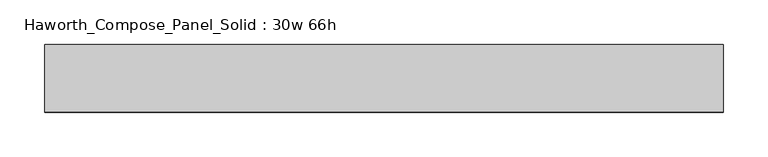
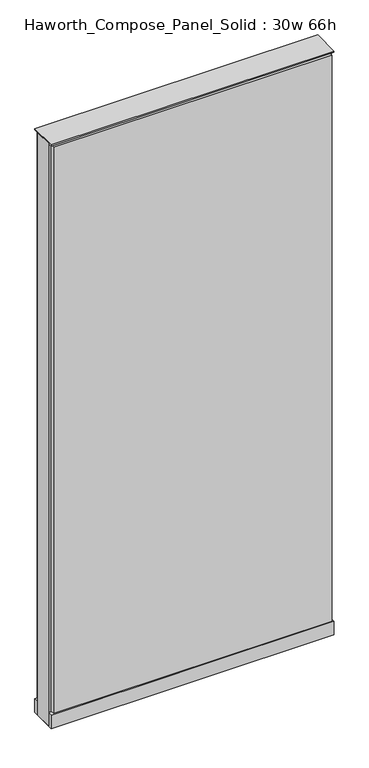
"""IFC4 building model written with IfcOpenShell, lengths in millimetres: furniture geometry, Haworth_Compose_Panel_Solid : 30w 66h."""

from ifc_helpers import new_model, si_unit, point, frame, frame_2d, origin, origin_with_axes, place, context, project, spatial, polyline, circle_curve, trimmed, segment, composite_curve, outline, extrude, source, transform, mapped, element, save


def haworth_compose_panel_solid_30w_66h_3cbad65b(model_context):
    return source(origin(), model_context, "Body", "SweptSolid", [
        extrude(outline(composite_curve([segment(trimmed(circle_curve(frame_2d((-302.3597098, 0.0)), 12.7), [point((-315.0597098, 0.0))], [point((-289.6597098, 0.0))], False, "CARTESIAN"), True, "CONTINUOUS"), segment(trimmed(circle_curve(frame_2d((-302.3597098, 0.0)), 12.7), [point((-289.6597098, 0.0))], [point((-315.0597098, 0.0))], False, "CARTESIAN"), True, "CONTINUOUS")], self_intersect=False)), origin_with_axes(), (0.0, 0.0, 1.0), 12.7),
        extrude(outline(composite_curve([segment(trimmed(circle_curve(frame_2d((307.2402902, 0.0)), 12.7), [point((294.5402902, 0.0))], [point((319.9402902, 0.0))], False, "CARTESIAN"), True, "CONTINUOUS"), segment(trimmed(circle_curve(frame_2d((307.2402902, 0.0)), 12.7), [point((319.9402902, 0.0))], [point((294.5402902, 0.0))], False, "CARTESIAN"), True, "CONTINUOUS")], self_intersect=False)), origin_with_axes(), (0.0, 0.0, 1.0), 12.7),
        extrude(outline(polyline([(377.0902902, 38.1), (377.0902902, 25.4), (-372.2097098, 25.4), (-372.2097098, 38.1), (377.0902902, 38.1)])), frame((0.0, 0.0, 53.975), z_axis=(0.0, 0.0, 1.0), x_axis=(1.0, 0.0, 0.0)), (0.0, 0.0, 1.0), 1609.725),
        extrude(outline(polyline([(377.0902902, -38.1), (-372.2097098, -38.1), (-372.2097098, -25.4), (377.0902902, -25.4), (377.0902902, -38.1)])), frame((0.0, 0.0, 53.975), z_axis=(0.0, 0.0, 1.0), x_axis=(1.0, 0.0, 0.0)), (0.0, 0.0, 1.0), 1609.725),
        extrude(outline(polyline([(383.4402902, 25.4), (383.4402902, -25.4), (-378.5597098, -25.4), (-378.5597098, 25.4), (383.4402902, 25.4)])), frame((0.0, 0.0, 12.7), z_axis=(0.0, 0.0, 1.0), x_axis=(1.0, 0.0, 0.0)), (0.0, 0.0, 1.0), 1657.35),
        extrude(outline(polyline([(-378.5597098, -38.1), (-378.5597098, 38.1), (383.4402902, 38.1), (383.4402902, -38.1), (-378.5597098, -38.1)])), frame((0.0, 0.0, 12.7), z_axis=(0.0, 0.0, 1.0), x_axis=(1.0, 0.0, 0.0)), (0.0, 0.0, 1.0), 38.1),
        extrude(outline(polyline([(-378.5597098, -38.1), (-378.5597098, 38.1), (383.4402902, 38.1), (383.4402902, -38.1), (-378.5597098, -38.1)])), frame((0.0, 0.0, 1670.05), z_axis=(0.0, 0.0, 1.0), x_axis=(1.0, 0.0, 0.0)), (0.0, 0.0, 1.0), 3.175),
    ])


if __name__ == "__main__":
    model = new_model("IFC4")
    model_context = context("Model", 3, world=origin())
    ifc_project = project(units=[si_unit("LENGTHUNIT", "METRE", prefix="MILLI")], contexts=[model_context])
    site = spatial("IfcSite", under=ifc_project)
    building = spatial("IfcBuilding", under=site)
    placement = place(None, origin())
    haworth_compose_panel_solid_30w_66h_shape = haworth_compose_panel_solid_30w_66h_3cbad65b(model_context)
    element("IfcFurniture", 1, ObjectType="Haworth_Compose_Panel_Solid : 30w 66h", at=placement, inside=building, context=model_context, shape_type="MappedRepresentation", body=[
        mapped(haworth_compose_panel_solid_30w_66h_shape, transform((0.0, 0.0, 0.0), x_axis=(1.0, 0.0, 0.0), y_axis=(0.0, 1.0, 0.0), z_axis=(0.0, 0.0, 1.0))),
    ])
    save(model, "model.ifc")
